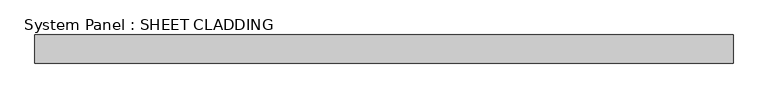
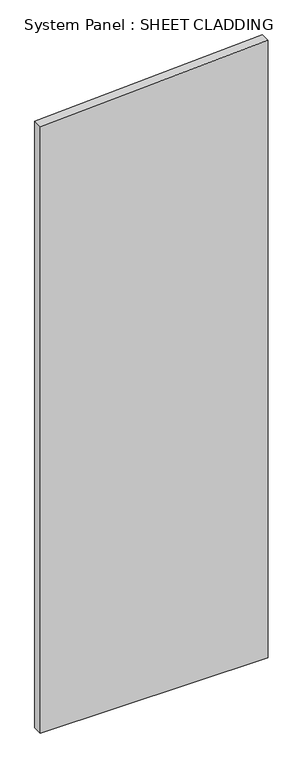
"""IFC4 building model written with IfcOpenShell, lengths in millimetres: plate geometry, System Panel : SHEET CLADDING."""

from ifc_helpers import new_model, si_unit, frame, origin, place, context, project, spatial, polyline, outline, extrude, source, transform, mapped, element, save


def system_panel_sheet_cladding_407aa02c(model_context):
    return source(origin(), model_context, "Body", "SweptSolid", [
        extrude(outline(polyline([(0.0, -735.4591837), (0.0, 735.4591837), (4211.8346939, 735.4591837), (4138.2887755, -735.4591837), (0.0, -735.4591837)])), frame((0.0, -10.5, 0.0), z_axis=(0.0, 1.0, 0.0), x_axis=(0.0, 0.0, 1.0)), (0.0, 0.0, 1.0), 60.0),
    ])


if __name__ == "__main__":
    model = new_model("IFC4")
    model_context = context("Model", 3, world=origin())
    ifc_project = project(units=[si_unit("LENGTHUNIT", "METRE", prefix="MILLI")], contexts=[model_context])
    site = spatial("IfcSite", under=ifc_project)
    building = spatial("IfcBuilding", under=site)
    placement = place(None, origin())
    system_panel_sheet_cladding_shape = system_panel_sheet_cladding_407aa02c(model_context)
    element("IfcPlate", 1, ObjectType="System Panel : SHEET CLADDING", at=placement, inside=building, context=model_context, shape_type="MappedRepresentation", body=[
        mapped(system_panel_sheet_cladding_shape, transform((0.0, 0.0, 0.0), x_axis=(1.0, 0.0, 0.0), y_axis=(0.0, 1.0, 0.0), z_axis=(0.0, 0.0, 1.0))),
    ])
    save(model, "model.ifc")
